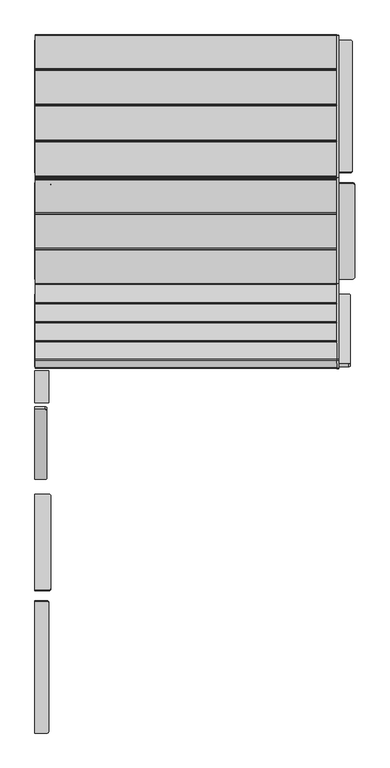
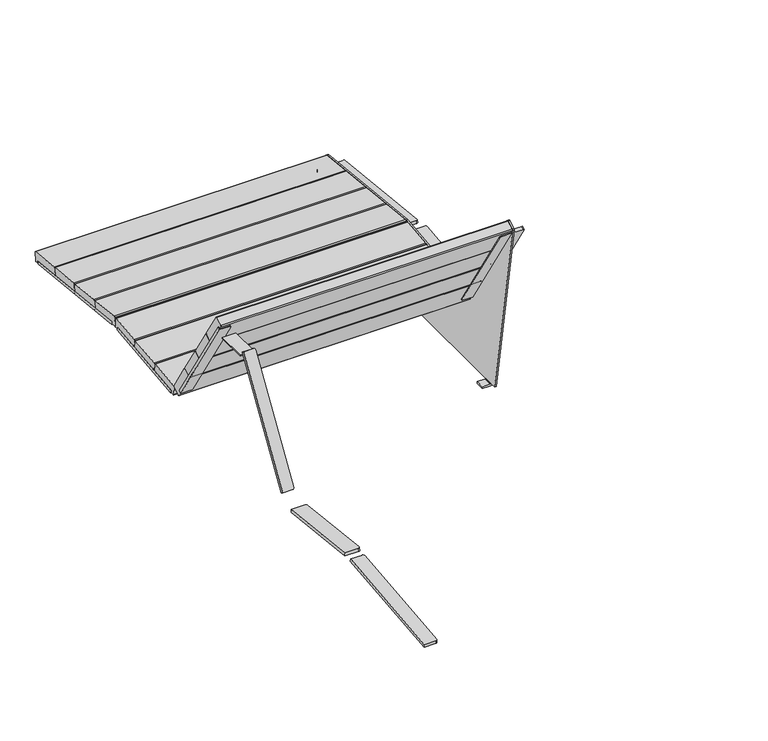
"""IFC4 building model written with IfcOpenShell, lengths in millimetres: furniture geometry."""

from ifc_helpers import new_model, si_unit, point, frame, frame_2d, origin, place, context, project, spatial, polyline, circle_curve, trimmed, segment, composite_curve, outline, extrude, source, transform, mapped, element, save
from ifc_brep_helpers import plane_surface, cylinder_surface, revolved_surface, advanced_brep


def furniture_8bb03c26(model_context):
    return source(origin(), model_context, "Body", "SolidModel", [
        extrude(outline(composite_curve([segment(polyline([(-49.3638066, 0.0), (3.2090879, 0.0)]), True, "CONTINUOUS"), segment(trimmed(circle_curve(frame_2d((3.2090879, -7.0121057)), 7.0121058), [point((3.2090879, 0.0))], [point((10.2211937, -7.0121057))], False, "CARTESIAN"), True, "CONTINUOUS"), segment(polyline([(10.2211937, -7.0121057), (10.2211937, -571.1396494)]), True, "CONTINUOUS"), segment(trimmed(circle_curve(frame_2d((2.3027848, -569.9999999)), 8.0), [point((10.2211937, -571.1396494))], [point((2.3027848, -578.0))], False, "CARTESIAN"), True, "CONTINUOUS"), segment(polyline([(2.3027848, -578.0), (-49.3638066, -578.0), (-49.3638066, 0.0)]), True, "CONTINUOUS")], self_intersect=False)), frame((-607.6361934, 2358.6295614, 278.0435414), z_axis=(0.0, 0.10531331814140793, 0.9944390906546497), x_axis=(1.0, 0.0, 0.0)), (0.0, 0.0, 1.0), 12.2952655),
        extrude(outline(composite_curve([segment(polyline([(-419.9999999, 0.0), (0.0, 0.0), (0.0, -62.0)]), True, "CONTINUOUS"), segment(trimmed(circle_curve(frame_2d((-7.9999999, -62.0)), 8.0), [point((0.0, -62.0))], [point((-7.9999999, -70.0))], False, "CARTESIAN"), True, "CONTINUOUS"), segment(polyline([(-7.9999999, -70.0), (-412.0, -70.0)]), True, "CONTINUOUS"), segment(trimmed(circle_curve(frame_2d((-412.0, -62.0)), 8.0), [point((-412.0, -70.0))], [point((-419.9999999, -62.0))], False, "CARTESIAN"), True, "CONTINUOUS"), segment(polyline([(-419.9999999, -62.0), (-419.9999999, 0.0)]), True, "CONTINUOUS")], self_intersect=False)), frame((-657.0, 1740.1376015, 337.72827), z_axis=(0.0, -0.10875935595835198, 0.9940681075718728), x_axis=(0.0, 0.9940681075718728, 0.10875935595835198)), (0.0, 0.0, 1.0), 13.4436598),
        extrude(outline(composite_curve([segment(polyline([(-44.4824594, 0.0), (-0.1685248, 0.0), (-0.1685248, -574.1423739), (-44.4403491, -574.1423739)]), True, "CONTINUOUS"), segment(trimmed(circle_curve(frame_2d((-44.4403491, -567.1716559)), 6.970718), [point((-44.4403491, -574.1423739))], [point((-51.4110671, -567.1716559))], False, "CARTESIAN"), True, "CONTINUOUS"), segment(polyline([(-51.4110671, -567.1716559), (-51.4110671, -7.9971934)]), True, "CONTINUOUS"), segment(trimmed(circle_curve(frame_2d((-44.4824594, -7.0000001)), 7.0), [point((-51.4110671, -7.9971934))], [point((-44.4824594, 0.0))], False, "CARTESIAN"), True, "CONTINUOUS")], self_intersect=False)), frame((-657.1685248, 939.9679308, 825.034546), z_axis=(0.0, 0.8485020904898253, 0.5291920279391936), x_axis=(-1.0, 0.0, 0.0)), (0.0, 0.0, 1.0), 13.5362306),
        extrude(outline(composite_curve([segment(polyline([(0.0, 0.0), (578.0, 0.0), (578.0, -51.6665914)]), True, "CONTINUOUS"), segment(trimmed(circle_curve(frame_2d((569.9999999, -51.6665914)), 8.0), [point((578.0, -51.6665914))], [point((571.1396494, -59.5850003))], False, "CARTESIAN"), True, "CONTINUOUS"), segment(polyline([(571.1396494, -59.5850003), (7.0121057, -59.5850003)]), True, "CONTINUOUS"), segment(trimmed(circle_curve(frame_2d((7.0121057, -52.5728945)), 7.0121058), [point((7.0121057, -59.5850003))], [point((0.0, -52.5728945))], False, "CARTESIAN"), True, "CONTINUOUS"), segment(polyline([(0.0, -52.5728945), (0.0, 0.0)]), True, "CONTINUOUS")], self_intersect=False)), frame((-657.0, -653.6519252, 278.0435414), z_axis=(0.0, -0.10531331814140793, 0.9944390906546497), x_axis=(0.0, 0.9944390906546497, 0.10531331814140793)), (0.0, 0.0, 1.0), 12.2952655),
        extrude(outline(composite_curve([segment(polyline([(0.0, 0.0), (62.0, 0.0)]), True, "CONTINUOUS"), segment(trimmed(circle_curve(frame_2d((62.0, -7.9999999)), 8.0), [point((62.0, 0.0))], [point((70.0, -7.9999999))], False, "CARTESIAN"), True, "CONTINUOUS"), segment(polyline([(70.0, -7.9999999), (70.0, -412.0)]), True, "CONTINUOUS"), segment(trimmed(circle_curve(frame_2d((62.0, -412.0)), 8.0), [point((70.0, -412.0))], [point((62.0, -419.9999999))], False, "CARTESIAN"), True, "CONTINUOUS"), segment(polyline([(62.0, -419.9999999), (0.0, -419.9999999), (0.0, 0.0)]), True, "CONTINUOUS")], self_intersect=False)), frame((-657.0, 382.3486398, 292.0493405), z_axis=(0.0, 0.10875935595835198, 0.9940681075718728), x_axis=(1.0, 0.0, 0.0)), (0.0, 0.0, 1.0), 13.4436598),
        extrude(outline(composite_curve([segment(trimmed(circle_curve(frame_2d((0.0, -7.0)), 7.0), [point((-7.0000001, -7.0))], [point((0.9971933, -0.0713923))], False, "CARTESIAN"), True, "CONTINUOUS"), segment(polyline([(0.9971933, -0.0713923), (560.1716558, -0.0713923)]), True, "CONTINUOUS"), segment(trimmed(circle_curve(frame_2d((560.1716558, -7.0421103)), 6.970718), [point((560.1716558, -0.0713923))], [point((567.1423738, -7.0421103))], False, "CARTESIAN"), True, "CONTINUOUS"), segment(polyline([(567.1423738, -7.0421103), (567.1423738, -51.3139346), (-7.0000001, -51.3139346), (-7.0000001, -7.0)]), True, "CONTINUOUS")], self_intersect=False)), frame((-605.6860654, 761.3053612, 819.0950313), z_axis=(0.0, -0.8485020904898253, 0.5291920279391936), x_axis=(0.0, -0.5291920279391936, -0.8485020904898253)), (0.0, 0.0, 1.0), 13.5362306),
        extrude(outline(polyline([(-657.0, 782.4888126), (-657.0, 922.4888126), (-596.3860772, 922.4888126), (-596.3860772, 782.4888126), (-657.0, 782.4888126)])), frame((0.0, 0.0, 794.8457865), z_axis=(0.0, 0.0, 1.0), x_axis=(1.0, 0.0, 0.0)), (0.0, 0.0, 1.0), 5.0000141),
        advanced_brep(
        [(657.0, 1102.2110194, 11.1667328), (657.0, 1102.2110194, 10.1913955), (654.9504798, 1102.2110194, 8.1418753), (619.6140905, 1102.2110194, 8.1418753), (619.6140905, 1102.2110194, 0.0), (655.3306071, 1102.2110194, 0.0), (664.3530995, 1102.2110194, 9.0224925), (664.3530995, 1102.2110194, 11.1667328), (664.3530995, 1141.7328925, 9.0224925), (655.3306071, 1141.7328925, 0.0), (619.6140905, 1141.7328925, 0.0), (619.6140905, 1141.7328925, 8.1418753), (654.9504798, 1141.7328925, 8.1418753), (657.0, 1141.7328925, 10.1913955), (657.0, 1141.7328925, 11.1667328), (664.3530995, 1141.7328925, 11.1667328), (664.3530995, 2268.2223799, 11.1667328), (664.3530995, 2268.2223799, 9.0224925), (664.3530995, 2307.744253, 9.0224925), (664.3530995, 2307.744253, 11.1667328), (664.3530995, 2334.1163793, 11.1667328), (664.3530995, 2338.0711348, 14.5818314), (664.3530995, 2382.9475629, 319.3675424), (664.3530995, 2379.4056059, 323.9359283), (664.3530995, 1760.9255232, 389.484152), (664.3530995, 1300.9091118, 338.6611211), (664.3530995, 971.294668, 865.7075655), (664.3530995, 965.7703383, 866.9704616), (664.3530995, 933.364756, 846.5443154), (664.3530995, 931.5538925, 842.4923379), (664.3530995, 1072.3869743, 11.1667328), (664.3530995, 2358.6295614, 278.0435414), (664.3530995, 1783.843767, 338.9146392), (664.3530995, 1785.1386223, 351.1415319), (664.3530995, 2359.9244166, 290.270434), (664.3530995, 1740.1376015, 337.72827), (664.3530995, 1322.6289964, 292.0493405), (664.3530995, 1321.1668726, 305.4132539), (664.3530995, 1738.6754778, 351.0921834), (664.3530995, 1243.7994979, 337.8735415), (664.3530995, 939.9679308, 825.034546), (664.3530995, 951.4534508, 832.1978113), (664.3530995, 1255.2850179, 345.0368069), (657.0, 1072.3869743, 11.1667328), (657.0, 931.5538925, 842.4923379), (657.0, 933.364756, 846.5443154), (657.0, 965.7703383, 866.9704616), (657.0, 971.294668, 865.7075655), (657.0, 1300.9091118, 338.6611211), (657.0, 1760.9255232, 389.484152), (657.0, 2379.4056059, 323.9359283), (657.0, 2382.9475629, 319.3675424), (657.0, 2338.0711348, 14.5818314), (657.0, 2334.1163793, 11.1667328), (657.0, 2307.744253, 11.1667328), (657.0, 2307.744253, 10.1913955), (657.0, 2268.2223799, 10.1913955), (657.0, 2268.2223799, 11.1667328), (657.0, 1783.843767, 338.9146392), (657.0, 2358.6295614, 278.0435414), (657.0, 2359.9244166, 290.270434), (657.0, 1785.1386223, 351.1415319), (657.0, 1322.6289964, 292.0493405), (657.0, 1740.1376015, 337.72827), (657.0, 1738.6754778, 351.0921834), (657.0, 1321.1668726, 305.4132539), (657.0, 939.9679308, 825.034546), (657.0, 1243.7994979, 337.8735415), (657.0, 1255.2850179, 345.0368069), (657.0, 951.4534508, 832.1978113), (655.3306071, 2307.744253, 0.0), (619.6140905, 2307.744253, 0.0), (619.6140905, 2307.744253, 8.1418753), (654.9504798, 2307.744253, 8.1418753), (654.9504798, 2268.2223799, 8.1418753), (619.6140905, 2268.2223799, 8.1418753), (619.6140905, 2268.2223799, 0.0), (655.3306071, 2268.2223799, 0.0), (605.3334086, 1783.843767, 338.9146392), (597.4149997, 1790.6659678, 338.192153), (597.4149997, 2351.6564494, 278.7820095), (604.4271055, 2358.6295614, 278.0435414), (604.4271055, 2359.9244166, 290.270434), (597.4149997, 2352.9513046, 291.0089021), (597.4149997, 1791.960823, 350.4190456), (605.3334086, 1785.1386223, 351.1415319), (595.0, 1322.6289964, 292.0493405), (587.0, 1330.5815412, 292.9194153), (587.0, 1732.1850567, 336.8581951), (595.0, 1740.1376015, 337.72827), (595.0, 1738.6754778, 351.0921834), (587.0, 1730.7229329, 350.2221086), (587.0, 1329.1194174, 306.2833288), (595.0, 1321.1668726, 305.4132539), (612.6860654, 939.9679308, 825.034546), (605.7574577, 944.1999818, 818.2489107), (605.7574577, 1240.1106495, 343.7882103), (612.7281757, 1243.7994979, 337.8735415), (612.6860654, 951.4534508, 832.1978113), (612.7281757, 1255.2850179, 345.0368069), (605.7574577, 1251.5961695, 350.9514757), (605.7574577, 955.6855017, 825.4121761), (716.925994, 2358.6295614, 278.0435414), (723.9380998, 2351.6564494, 278.7820095), (723.9380998, 1790.6659678, 338.192153), (716.0196909, 1783.843767, 338.9146392), (716.0196909, 1785.1386223, 351.1415319), (723.9380998, 1791.960823, 350.4190456), (723.9380998, 2352.9513046, 291.0089021), (716.925994, 2359.9244166, 290.270434), (726.3530995, 1740.1376015, 337.72827), (734.3530995, 1732.1850567, 336.8581951), (734.3530995, 1330.5815412, 292.9194153), (726.3530995, 1322.6289964, 292.0493405), (726.3530995, 1321.1668726, 305.4132539), (734.3530995, 1329.1194174, 306.2833288), (734.3530995, 1730.7229329, 350.2221086), (726.3530995, 1738.6754778, 351.0921834), (708.6670341, 939.9679308, 825.034546), (708.6249239, 1243.7994979, 337.8735415), (715.5956418, 1240.1106495, 343.7882103), (715.5956418, 944.1999818, 818.2489107), (708.6670341, 951.4534508, 832.1978113), (715.5956418, 955.6855017, 825.4121761), (715.5956418, 1251.5961695, 350.9514757), (708.6249239, 1255.2850179, 345.0368069)],
        [
            (0, 1),
            (1, 2, circle_curve(frame((654.9504798, 1102.2110194, 10.1913955), z_axis=(0.0, 1.0, 0.0), x_axis=(1.0, 0.0, 0.0)), 2.0495202)),
            (2, 3),
            (3, 4),
            (4, 5),
            (5, 6, circle_curve(frame((655.3306071, 1102.2110194, 9.0224925), z_axis=(0.0, -1.0, 0.0), x_axis=(1.0, 0.0, 0.0)), 9.0224925)),
            (6, 7),
            (7, 0),
            (8, 9, circle_curve(frame((655.3306071, 1141.7328925, 9.0224925), z_axis=(0.0, 1.0, 0.0), x_axis=(1.0, 0.0, 0.0)), 9.0224925)),
            (9, 10),
            (10, 11),
            (11, 12),
            (12, 13, circle_curve(frame((654.9504798, 1141.7328925, 10.1913955), z_axis=(0.0, -1.0, 0.0), x_axis=(1.0, 0.0, 0.0)), 2.0495202)),
            (13, 14),
            (14, 15),
            (15, 8),
            (0, 14),
            (13, 1),
            (12, 2),
            (11, 3),
            (10, 4),
            (9, 5),
            (8, 6),
            (15, 16),
            (16, 17),
            (17, 18),
            (18, 19),
            (19, 20),
            (20, 21, circle_curve(frame((664.3530995, 2334.1163793, 15.1641267), z_axis=(1.0, 0.0, 0.0), x_axis=(0.0, -1.0, 0.0)), 3.997394)),
            (21, 22),
            (22, 23, circle_curve(frame((664.3530995, 2378.9832975, 319.951238), z_axis=(1.0, 0.0, 0.0), x_axis=(0.0, -1.0, 0.0)), 4.0070065)),
            (23, 24),
            (24, 25),
            (25, 26),
            (26, 27, circle_curve(frame((664.3530995, 967.9032834, 863.5865962), z_axis=(1.0, 0.0, 0.0), x_axis=(0.0, -1.0, 0.0)), 4.0)),
            (27, 28),
            (28, 29, circle_curve(frame((664.3530995, 935.4977011, 843.16045), z_axis=(1.0, 0.0, 0.0), x_axis=(0.0, -1.0, 0.0)), 4.0)),
            (29, 30),
            (30, 7),
            (31, 32),
            (32, 33),
            (33, 34),
            (34, 31),
            (35, 36),
            (36, 37),
            (37, 38),
            (38, 35),
            (39, 40),
            (40, 41),
            (41, 42),
            (42, 39),
            (0, 43),
            (43, 44),
            (44, 45, circle_curve(frame((657.0, 935.4977011, 843.16045), z_axis=(-1.0, 0.0, 0.0), x_axis=(0.0, -1.0, 0.0)), 4.0)),
            (45, 46),
            (46, 47, circle_curve(frame((657.0, 967.9032834, 863.5865962), z_axis=(-1.0, 0.0, 0.0), x_axis=(0.0, -1.0, 0.0)), 4.0)),
            (47, 48),
            (48, 49),
            (49, 50),
            (50, 51, circle_curve(frame((657.0, 2378.9832975, 319.951238), z_axis=(-1.0, 0.0, 0.0), x_axis=(0.0, -1.0, 0.0)), 4.0070065)),
            (51, 52),
            (52, 53, circle_curve(frame((657.0, 2334.1163793, 15.1641267), z_axis=(-1.0, 0.0, 0.0), x_axis=(0.0, -1.0, 0.0)), 3.997394)),
            (53, 54),
            (54, 55),
            (55, 56),
            (56, 57),
            (57, 14),
            (58, 59),
            (59, 60),
            (60, 61),
            (61, 58),
            (62, 63),
            (63, 64),
            (64, 65),
            (65, 62),
            (66, 67),
            (67, 68),
            (68, 69),
            (69, 66),
            (20, 53),
            (52, 21),
            (57, 16),
            (19, 54),
            (30, 43),
            (29, 44),
            (28, 45),
            (27, 46),
            (26, 47),
            (25, 48),
            (24, 49),
            (23, 50),
            (22, 51),
            (18, 70, circle_curve(frame((655.3306071, 2307.744253, 9.0224925), z_axis=(0.0, 1.0, 0.0), x_axis=(1.0, 0.0, 0.0)), 9.0224925)),
            (70, 71),
            (71, 72),
            (72, 73),
            (73, 55, circle_curve(frame((654.9504798, 2307.744253, 10.1913955), z_axis=(0.0, -1.0, 0.0), x_axis=(1.0, 0.0, 0.0)), 2.0495202)),
            (56, 74, circle_curve(frame((654.9504798, 2268.2223799, 10.1913955), z_axis=(0.0, 1.0, 0.0), x_axis=(1.0, 0.0, 0.0)), 2.0495202)),
            (74, 75),
            (75, 76),
            (76, 77),
            (77, 17, circle_curve(frame((655.3306071, 2268.2223799, 9.0224925), z_axis=(0.0, -1.0, 0.0), x_axis=(1.0, 0.0, 0.0)), 9.0224925)),
            (73, 74),
            (72, 75),
            (71, 76),
            (70, 77),
            (58, 78),
            (78, 79, circle_curve(frame((605.3334086, 1791.7992798, 338.0721327), z_axis=(0.0, -0.10531331814140793, -0.9944390906546497), x_axis=(-1.0, 0.0, 0.0)), 8.0)),
            (79, 80),
            (80, 81, circle_curve(frame((604.4271055, 2351.6564494, 278.7820095), z_axis=(0.0, -0.10531331814140793, -0.9944390906546497), x_axis=(1.0, 0.0, 0.0)), 7.0121058)),
            (81, 59),
            (60, 82),
            (82, 83, circle_curve(frame((604.4271055, 2352.9513046, 291.0089021), z_axis=(0.0, 0.10531331814140793, 0.9944390906546497), x_axis=(1.0, 0.0, 0.0)), 7.0121058)),
            (83, 84),
            (84, 85, circle_curve(frame((605.3334086, 1793.094135, 350.2990253), z_axis=(0.0, 0.10531331814140793, 0.9944390906546497), x_axis=(-1.0, 0.0, 0.0)), 8.0)),
            (85, 61),
            (85, 78),
            (84, 79),
            (81, 82),
            (80, 83),
            (62, 86),
            (86, 87, circle_curve(frame((595.0, 1330.5815412, 292.9194153), z_axis=(0.0, 0.10875935595835198, -0.9940681075718728), x_axis=(0.0, -0.9940681075718728, -0.10875935595835198)), 8.0)),
            (87, 88),
            (88, 89, circle_curve(frame((595.0, 1732.1850567, 336.8581951), z_axis=(0.0, 0.10875935595835198, -0.9940681075718728), x_axis=(0.0, -0.9940681075718728, -0.10875935595835198)), 8.0)),
            (89, 63),
            (64, 90),
            (90, 91, circle_curve(frame((595.0, 1730.7229329, 350.2221086), z_axis=(0.0, -0.10875935595835198, 0.9940681075718728), x_axis=(0.0, -0.9940681075718728, -0.10875935595835198)), 8.0)),
            (91, 92),
            (92, 93, circle_curve(frame((595.0, 1329.1194174, 306.2833288), z_axis=(0.0, -0.10875935595835198, 0.9940681075718728), x_axis=(0.0, -0.9940681075718728, -0.10875935595835198)), 8.0)),
            (93, 65),
            (93, 86),
            (92, 87),
            (91, 88),
            (90, 89),
            (94, 95, circle_curve(frame((612.6860654, 943.672275, 819.0950313), z_axis=(0.0, -0.8485020904898253, -0.5291920279391936), x_axis=(-1.0, 0.0, 0.0)), 7.0)),
            (95, 96),
            (96, 97, circle_curve(frame((612.7281757, 1240.1106495, 343.7882103), z_axis=(0.0, -0.8485020904898253, -0.5291920279391936), x_axis=(1.0, 0.0, 0.0)), 6.970718)),
            (97, 67),
            (66, 94),
            (98, 69),
            (68, 99),
            (99, 100, circle_curve(frame((612.7281757, 1251.5961695, 350.9514757), z_axis=(0.0, 0.8485020904898253, 0.5291920279391936), x_axis=(1.0, 0.0, 0.0)), 6.970718)),
            (100, 101),
            (101, 98, circle_curve(frame((612.6860654, 955.157795, 826.2582967), z_axis=(0.0, 0.8485020904898253, 0.5291920279391936), x_axis=(-1.0, 0.0, 0.0)), 7.0)),
            (94, 98),
            (101, 95),
            (97, 99),
            (96, 100),
            (31, 102),
            (102, 103, circle_curve(frame((716.925994, 2351.6564494, 278.7820095), z_axis=(0.0, -0.10531331814140794, -0.9944390906546497), x_axis=(-1.0, 0.0, 0.0)), 7.0121058)),
            (103, 104),
            (104, 105, circle_curve(frame((716.0196909, 1791.7992798, 338.0721327), z_axis=(0.0, -0.10531331814140794, -0.9944390906546497), x_axis=(1.0, 0.0, 0.0)), 8.0)),
            (105, 32),
            (33, 106),
            (106, 107, circle_curve(frame((716.0196909, 1793.094135, 350.2990253), z_axis=(0.0, 0.10531331814140794, 0.9944390906546497), x_axis=(1.0, 0.0, 0.0)), 8.0)),
            (107, 108),
            (108, 109, circle_curve(frame((716.925994, 2352.9513046, 291.0089021), z_axis=(0.0, 0.10531331814140794, 0.9944390906546497), x_axis=(-1.0, 0.0, 0.0)), 7.0121058)),
            (109, 34),
            (105, 106),
            (104, 107),
            (109, 102),
            (108, 103),
            (35, 110),
            (110, 111, circle_curve(frame((726.3530995, 1732.1850567, 336.8581951), z_axis=(0.0, 0.10875935595835198, -0.9940681075718728), x_axis=(0.0, -0.9940681075718728, -0.10875935595835198)), 8.0)),
            (111, 112),
            (112, 113, circle_curve(frame((726.3530995, 1330.5815412, 292.9194153), z_axis=(0.0, 0.10875935595835198, -0.9940681075718728), x_axis=(0.0, -0.9940681075718728, -0.10875935595835198)), 8.0)),
            (113, 36),
            (37, 114),
            (114, 115, circle_curve(frame((726.3530995, 1329.1194174, 306.2833288), z_axis=(0.0, -0.10875935595835198, 0.9940681075718728), x_axis=(0.0, -0.9940681075718728, -0.10875935595835198)), 8.0)),
            (115, 116),
            (116, 117, circle_curve(frame((726.3530995, 1730.7229329, 350.2221086), z_axis=(0.0, -0.10875935595835198, 0.9940681075718728), x_axis=(0.0, -0.9940681075718728, -0.10875935595835198)), 8.0)),
            (117, 38),
            (113, 114),
            (112, 115),
            (111, 116),
            (110, 117),
            (118, 40),
            (39, 119),
            (119, 120, circle_curve(frame((708.6249239, 1240.1106495, 343.7882103), z_axis=(0.0, -0.8485020904898253, -0.5291920279391936), x_axis=(-1.0, 0.0, 0.0)), 6.970718)),
            (120, 121),
            (121, 118, circle_curve(frame((708.6670341, 943.672275, 819.0950313), z_axis=(0.0, -0.8485020904898253, -0.5291920279391936), x_axis=(1.0, 0.0, 0.0)), 7.0)),
            (122, 123, circle_curve(frame((708.6670341, 955.157795, 826.2582967), z_axis=(0.0, 0.8485020904898253, 0.5291920279391936), x_axis=(1.0, 0.0, 0.0)), 7.0)),
            (123, 124),
            (124, 125, circle_curve(frame((708.6249239, 1251.5961695, 350.9514757), z_axis=(0.0, 0.8485020904898253, 0.5291920279391936), x_axis=(-1.0, 0.0, 0.0)), 6.970718)),
            (125, 42),
            (41, 122),
            (121, 123),
            (122, 118),
            (125, 119),
            (124, 120),
        ],
        [
            plane_surface(frame((657.0, 1102.2110194, 11.1667328), z_axis=(0.0, -1.0, 0.0), x_axis=(0.0, 0.0, -1.0))),
            plane_surface(frame((657.0, 1141.7328925, 11.1667328), z_axis=(0.0, 1.0, 0.0), x_axis=(0.0, 0.0, 1.0))),
            plane_surface(frame((657.0, 1102.2110194, 11.1667328), z_axis=(-1.0, 0.0, 0.0), x_axis=(0.0, 1.0, 0.0))),
            revolved_surface(polyline([(657.0, 1141.7328925, 10.1913955), (657.0, 1102.2110194, 10.1913955)]), (654.9504798, 1141.7328925, 10.1913955), (0.0, 1.0, 0.0)),
            plane_surface(frame((654.9504798, 1102.2110194, 8.1418753), z_axis=(0.0, 0.0, 1.0), x_axis=(0.0, 1.0, 0.0))),
            plane_surface(frame((619.6140905, 1102.2110194, 8.1418753), z_axis=(-1.0, 0.0, 0.0), x_axis=(0.0, 1.0, 0.0))),
            plane_surface(frame((619.6140905, 1102.2110194, 0.0), z_axis=(0.0, 0.0, -1.0), x_axis=(0.0, 1.0, 0.0))),
            cylinder_surface(frame((655.3306071, 1141.7328925, 9.0224925), z_axis=(0.0, -1.0, 0.0), x_axis=(1.0, 0.0, 0.0)), 9.0224925),
            plane_surface(frame((664.3530995, 1102.2110194, 9.0224925), z_axis=(1.0, 0.0, 0.0), x_axis=(0.0, 1.0, 0.0))),
            plane_surface(frame((657.0, 1102.2110194, 15.0954559), z_axis=(-1.0, 0.0, 0.0), x_axis=(0.0, 1.0, 0.0))),
            cylinder_surface(frame((657.0, 2334.1163793, 15.1641267), z_axis=(1.0, 0.0, 0.0), x_axis=(0.0, -1.0, 0.0)), 3.997394),
            plane_surface(frame((664.3530995, 1072.3869743, 11.1667328), z_axis=(0.0, 0.0, -1.0), x_axis=(-1.0, 0.0, 0.0))),
            plane_surface(frame((664.3530995, 931.5538925, 842.4923379), z_axis=(0.0, -0.985952147265219, -0.1670280314890409), x_axis=(-1.0, 0.0, 0.0))),
            cylinder_surface(frame((657.0, 935.4977011, 843.16045), z_axis=(1.0, 0.0, 0.0), x_axis=(0.0, -1.0, 0.0)), 4.0),
            plane_surface(frame((664.3530995, 965.7703383, 866.9704616), z_axis=(0.0, -0.5332362847455439, 0.845966349585354), x_axis=(-1.0, 0.0, 0.0))),
            cylinder_surface(frame((657.0, 967.9032834, 863.5865962), z_axis=(1.0, 0.0, 0.0), x_axis=(0.0, -1.0, 0.0)), 4.0),
            plane_surface(frame((664.3530995, 1300.9091118, 338.6611211), z_axis=(0.0, 0.847846138311266, 0.5302423273850115), x_axis=(-1.0, 0.0, 0.0))),
            plane_surface(frame((664.3530995, 1760.9255232, 389.484152), z_axis=(0.0, -0.10981275199900431, 0.9939522923653857), x_axis=(-1.0, 0.0, 0.0))),
            plane_surface(frame((664.3530995, 2379.4056059, 323.9359283), z_axis=(0.0, 0.10539250642220661, 0.9944307012507434), x_axis=(-1.0, 0.0, 0.0))),
            cylinder_surface(frame((657.0, 2378.9832975, 319.951238), z_axis=(1.0, 0.0, 0.0), x_axis=(0.0, -1.0, 0.0)), 4.0070065),
            plane_surface(frame((664.3530995, 2338.0711348, 14.5818314), z_axis=(0.0, 0.9893334212997198, -0.1456687389229111), x_axis=(-1.0, 0.0, 0.0))),
            plane_surface(frame((657.0, 2307.744253, 15.0954559), z_axis=(0.0, 1.0, 0.0), x_axis=(0.0, 0.0, 1.0))),
            plane_surface(frame((657.0, 2268.2223799, 15.0954559), z_axis=(0.0, -1.0, 0.0), x_axis=(0.0, 0.0, -1.0))),
            revolved_surface(polyline([(657.0, 2268.2223799, 10.1913955), (657.0, 2307.744253, 10.1913955)]), (654.9504798, 2268.2223799, 10.1913955), (0.0, -1.0, 0.0)),
            plane_surface(frame((619.6140905, 2307.744253, 8.1418753), z_axis=(0.0, 0.0, 1.0), x_axis=(0.0, -1.0, 0.0))),
            plane_surface(frame((619.6140905, 2307.744253, 0.0), z_axis=(-1.0, 0.0, 0.0), x_axis=(0.0, -1.0, 0.0))),
            plane_surface(frame((655.3306071, 2307.744253, 0.0), z_axis=(0.0, 0.0, -1.0), x_axis=(0.0, -1.0, 0.0))),
            cylinder_surface(frame((655.3306071, 2268.2223799, 9.0224925), z_axis=(0.0, 1.0, 0.0), x_axis=(1.0, 0.0, 0.0)), 9.0224925),
            plane_surface(frame((657.0, 2358.6295614, 278.0435414), z_axis=(0.0, -0.10531331814140793, -0.9944390906546497), x_axis=(0.0, -0.9944390906546497, 0.10531331814140793))),
            plane_surface(frame((657.0, 2359.9244166, 290.270434), z_axis=(0.0, 0.10531331814140793, 0.9944390906546497), x_axis=(0.0, 0.9944390906546497, -0.10531331814140793))),
            plane_surface(frame((657.0, 1783.843767, 338.9146392), z_axis=(0.0, -0.9944390906546503, 0.10531331814140227), x_axis=(0.0, 0.10531331814140227, 0.9944390906546503))),
            cylinder_surface(frame((605.3334086, 1793.094135, 350.2990253), z_axis=(0.0, -0.10531331814140793, -0.9944390906546497), x_axis=(-1.0, 0.0, 0.0)), 8.0),
            plane_surface(frame((604.4271055, 2358.6295614, 278.0435414), z_axis=(0.0, 0.9944390906546504, -0.10531331814140199), x_axis=(0.0, 0.10531331814140199, 0.9944390906546504))),
            cylinder_surface(frame((604.4271055, 2352.9513046, 291.0089021), z_axis=(0.0, -0.10531331814140793, -0.9944390906546497), x_axis=(1.0, 0.0, 0.0)), 7.0121058),
            plane_surface(frame((597.4149997, 1790.6659678, 338.192153), z_axis=(-1.0, 0.0, 0.0), x_axis=(0.0, 0.10531331814140227, 0.9944390906546503))),
            plane_surface(frame((657.0, 1322.6289964, 292.0493405), z_axis=(0.0, 0.10875935595835198, -0.9940681075718728), x_axis=(-1.0, 0.0, 0.0))),
            plane_surface(frame((657.0, 1321.1668726, 305.4132539), z_axis=(0.0, -0.10875935595835198, 0.9940681075718728), x_axis=(1.0, 0.0, 0.0))),
            plane_surface(frame((657.0, 1322.6289964, 292.0493405), z_axis=(0.0, -0.9940681075718729, -0.10875935595835155), x_axis=(0.0, -0.10875935595835155, 0.9940681075718729))),
            cylinder_surface(frame((595.0, 1329.1194174, 306.2833288), z_axis=(0.0, 0.10875935595835198, -0.9940681075718728), x_axis=(0.0, -0.9940681075718728, -0.10875935595835198)), 8.0),
            plane_surface(frame((587.0, 1330.5815412, 292.9194153), z_axis=(-1.0, 0.0, 0.0), x_axis=(0.0, -0.10875935595835129, 0.9940681075718729))),
            cylinder_surface(frame((595.0, 1730.7229329, 350.2221086), z_axis=(0.0, 0.10875935595835198, -0.9940681075718728), x_axis=(0.0, -0.9940681075718728, -0.10875935595835198)), 8.0),
            plane_surface(frame((595.0, 1740.1376015, 337.72827), z_axis=(0.0, 0.9940681075718729, 0.10875935595835129), x_axis=(0.0, -0.10875935595835129, 0.9940681075718729))),
            plane_surface(frame((605.6860654, 943.672275, 819.0950313), z_axis=(0.0, -0.8485020904898253, -0.5291920279391936), x_axis=(0.0, 0.5291920279391936, -0.8485020904898253))),
            plane_surface(frame((605.6860654, 955.157795, 826.2582967), z_axis=(0.0, 0.8485020904898253, 0.5291920279391936), x_axis=(0.0, -0.5291920279391936, 0.8485020904898253))),
            cylinder_surface(frame((612.6860654, 955.157795, 826.2582967), z_axis=(0.0, -0.8485020904898253, -0.5291920279391936), x_axis=(-1.0, 0.0, 0.0)), 7.0),
            plane_surface(frame((612.7281757, 1243.7994979, 337.8735415), z_axis=(0.0, 0.5291920279391926, -0.848502090489826), x_axis=(0.0, 0.848502090489826, 0.5291920279391926))),
            plane_surface(frame((657.0, 939.9679308, 825.034546), z_axis=(0.0, -0.5291920279391971, 0.8485020904898233), x_axis=(0.0, 0.8485020904898233, 0.5291920279391971))),
            cylinder_surface(frame((612.7281757, 1251.5961695, 350.9514757), z_axis=(0.0, -0.8485020904898253, -0.5291920279391936), x_axis=(1.0, 0.0, 0.0)), 6.970718),
            plane_surface(frame((605.7574577, 944.1999818, 818.2489107), z_axis=(-1.0000000000000002, 0.0, 0.0), x_axis=(0.0, 0.8485020904898233, 0.5291920279391971))),
            plane_surface(frame((713.7169061, 2358.6295614, 278.0435414), z_axis=(0.0, -0.10531331814140794, -0.9944390906546499), x_axis=(1.0, 0.0, 0.0))),
            plane_surface(frame((713.7169061, 2359.9244166, 290.270434), z_axis=(0.0, 0.10531331814140794, 0.9944390906546499), x_axis=(-1.0, 0.0, 0.0))),
            plane_surface(frame((716.0196909, 1783.843767, 338.9146392), z_axis=(0.0, -0.9944390906546503, 0.10531331814140227), x_axis=(0.0, 0.10531331814140227, 0.9944390906546503))),
            cylinder_surface(frame((716.0196909, 1793.094135, 350.2990253), z_axis=(0.0, -0.10531331814140794, -0.9944390906546497), x_axis=(1.0, 0.0, 0.0)), 8.0),
            plane_surface(frame((664.3530995, 2358.6295614, 278.0435414), z_axis=(0.0, 0.9944390906546504, -0.10531331814140199), x_axis=(0.0, 0.10531331814140199, 0.9944390906546504))),
            cylinder_surface(frame((716.925994, 2352.9513046, 291.0089021), z_axis=(0.0, -0.10531331814140794, -0.9944390906546497), x_axis=(-1.0, 0.0, 0.0)), 7.0121058),
            plane_surface(frame((723.9380998, 2351.6564494, 278.7820095), z_axis=(1.0000000000000002, 0.0, 0.0), x_axis=(0.0, 0.10531331814140199, 0.9944390906546504))),
            plane_surface(frame((664.3530995, 1740.1376015, 337.72827), z_axis=(0.0, 0.10875935595835198, -0.9940681075718728), x_axis=(0.0, 0.9940681075718728, 0.10875935595835198))),
            plane_surface(frame((664.3530995, 1738.6754778, 351.0921834), z_axis=(0.0, -0.10875935595835198, 0.9940681075718728), x_axis=(0.0, -0.9940681075718728, -0.10875935595835198))),
            plane_surface(frame((726.3530995, 1322.6289964, 292.0493405), z_axis=(0.0, -0.9940681075718729, -0.10875935595835155), x_axis=(0.0, -0.10875935595835155, 0.9940681075718729))),
            cylinder_surface(frame((726.3530995, 1329.1194174, 306.2833288), z_axis=(0.0, 0.10875935595835198, -0.9940681075718728), x_axis=(0.0, -0.9940681075718728, -0.10875935595835198)), 8.0),
            plane_surface(frame((734.3530995, 1732.1850567, 336.8581951), z_axis=(1.0, 0.0, 0.0), x_axis=(0.0, -0.10875935595835129, 0.9940681075718729))),
            cylinder_surface(frame((726.3530995, 1730.7229329, 350.2221086), z_axis=(0.0, 0.10875935595835198, -0.9940681075718728), x_axis=(0.0, -0.9940681075718728, -0.10875935595835198)), 8.0),
            plane_surface(frame((664.3530995, 1740.1376015, 337.72827), z_axis=(0.0, 0.9940681075718729, 0.10875935595835129), x_axis=(0.0, -0.10875935595835129, 0.9940681075718729))),
            plane_surface(frame((664.1845747, 939.9679308, 825.034546), z_axis=(0.0, -0.8485020904898254, -0.5291920279391936), x_axis=(-1.0, 0.0, 0.0))),
            plane_surface(frame((664.1845747, 951.4534508, 832.1978113), z_axis=(0.0, 0.8485020904898254, 0.5291920279391936), x_axis=(1.0, 0.0, 0.0))),
            cylinder_surface(frame((708.6670341, 955.157795, 826.2582967), z_axis=(0.0, -0.8485020904898253, -0.5291920279391936), x_axis=(1.0, 0.0, 0.0)), 7.0),
            plane_surface(frame((664.3530995, 1243.7994979, 337.8735415), z_axis=(0.0, 0.5291920279392015, -0.8485020904898204), x_axis=(0.0, 0.8485020904898204, 0.5291920279392015))),
            plane_surface(frame((708.6670341, 939.9679308, 825.034546), z_axis=(0.0, -0.5291920279391926, 0.848502090489826), x_axis=(0.0, 0.848502090489826, 0.5291920279391926))),
            cylinder_surface(frame((708.6249239, 1251.5961695, 350.9514757), z_axis=(0.0, -0.8485020904898253, -0.5291920279391936), x_axis=(-1.0, 0.0, 0.0)), 6.970718),
            plane_surface(frame((715.5956418, 1240.1106495, 343.7882103), z_axis=(1.0, 0.0, 0.0), x_axis=(0.0, 0.8485020904898283, 0.529192027939189))),
        ],
        [
            (0, [[1, 2, 3, 4, 5, 6, 7, 8]]),
            (1, [[9, 10, 11, 12, 13, 14, 15, 16]]),
            (2, [[-1, 17, -14, 18]]),
            (3, [[-2, -18, -13, 19]]),
            (4, [[-3, -19, -12, 20]]),
            (5, [[-4, -20, -11, 21]]),
            (6, [[-5, -21, -10, 22]]),
            (7, [[-6, -22, -9, 23]]),
            (8, [[-23, -16, 24, 25, 26, 27, 28, 29, 30, 31, 32, 33, 34, 35, 36, 37, 38, 39, -7], [40, 41, 42, 43], [44, 45, 46, 47], [48, 49, 50, 51]]),
            (9, [[-17, 52, 53, 54, 55, 56, 57, 58, 59, 60, 61, 62, 63, 64, 65, 66, 67], [68, 69, 70, 71], [72, 73, 74, 75], [76, 77, 78, 79]]),
            (10, [[-29, 80, -62, 81]]),
            (11, [[-15, -67, 82, -24]]),
            (11, [[-80, -28, 83, -63]]),
            (11, [[84, -52, -8, -39]]),
            (12, [[-38, 85, -53, -84]]),
            (13, [[-37, 86, -54, -85]]),
            (14, [[-36, 87, -55, -86]]),
            (15, [[-35, 88, -56, -87]]),
            (16, [[-34, 89, -57, -88]]),
            (17, [[-33, 90, -58, -89]]),
            (18, [[-32, 91, -59, -90]]),
            (19, [[-31, 92, -60, -91]]),
            (20, [[-30, -81, -61, -92]]),
            (21, [[93, 94, 95, 96, 97, -64, -83, -27]]),
            (22, [[-66, 98, 99, 100, 101, 102, -25, -82]]),
            (23, [[-97, 103, -98, -65]]),
            (24, [[-96, 104, -99, -103]]),
            (25, [[-95, 105, -100, -104]]),
            (26, [[-94, 106, -101, -105]]),
            (27, [[-93, -26, -102, -106]]),
            (28, [[107, 108, 109, 110, 111, -68]]),
            (29, [[112, 113, 114, 115, 116, -70]]),
            (30, [[-107, -71, -116, 117]]),
            (31, [[-108, -117, -115, 118]]),
            (32, [[-111, 119, -112, -69]]),
            (33, [[-110, 120, -113, -119]]),
            (34, [[-109, -118, -114, -120]]),
            (35, [[121, 122, 123, 124, 125, -72]]),
            (36, [[126, 127, 128, 129, 130, -74]]),
            (37, [[-121, -75, -130, 131]]),
            (38, [[-122, -131, -129, 132]]),
            (39, [[-123, -132, -128, 133]]),
            (40, [[-124, -133, -127, 134]]),
            (41, [[-125, -134, -126, -73]]),
            (42, [[135, 136, 137, 138, -76, 139]]),
            (43, [[140, -78, 141, 142, 143, 144]]),
            (44, [[-135, 145, -144, 146]]),
            (45, [[-138, 147, -141, -77]]),
            (46, [[-139, -79, -140, -145]]),
            (47, [[-137, 148, -142, -147]]),
            (48, [[-136, -146, -143, -148]]),
            (49, [[149, 150, 151, 152, 153, -40]]),
            (50, [[154, 155, 156, 157, 158, -42]]),
            (51, [[-153, 159, -154, -41]]),
            (52, [[-152, 160, -155, -159]]),
            (53, [[-149, -43, -158, 161]]),
            (54, [[-150, -161, -157, 162]]),
            (55, [[-151, -162, -156, -160]]),
            (56, [[163, 164, 165, 166, 167, -44]]),
            (57, [[168, 169, 170, 171, 172, -46]]),
            (58, [[-167, 173, -168, -45]]),
            (59, [[-166, 174, -169, -173]]),
            (60, [[-165, 175, -170, -174]]),
            (61, [[-164, 176, -171, -175]]),
            (62, [[-163, -47, -172, -176]]),
            (63, [[177, -48, 178, 179, 180, 181]]),
            (64, [[182, 183, 184, 185, -50, 186]]),
            (65, [[-181, 187, -182, 188]]),
            (66, [[-178, -51, -185, 189]]),
            (67, [[-177, -188, -186, -49]]),
            (68, [[-179, -189, -184, 190]]),
            (69, [[-180, -190, -183, -187]]),
        ],
    ),
        extrude(outline(composite_curve([segment(trimmed(circle_curve(frame_2d((1013.0248327, 722.1367311)), 4.0), [point((1015.1416008, 718.7427227))], [point((1009.6308243, 720.019963))], False, "CARTESIAN"), True, "CONTINUOUS"), segment(polyline([(1009.6308243, 720.019963), (933.2959113, 842.4147268)]), True, "CONTINUOUS"), segment(trimmed(circle_curve(frame_2d((936.6899197, 844.5314949)), 4.0), [point((933.2959113, 842.4147268))], [point((934.5731515, 847.9255033))], False, "CARTESIAN"), True, "CONTINUOUS"), segment(polyline([(934.5731515, 847.9255033), (965.9677289, 867.5056083)]), True, "CONTINUOUS"), segment(trimmed(circle_curve(frame_2d((968.084497, 864.1115999)), 4.0), [point((965.9677289, 867.5056083))], [point((971.4785054, 866.2283681))], False, "CARTESIAN"), True, "CONTINUOUS"), segment(polyline([(971.4785054, 866.2283681), (1047.8134184, 743.8336042)]), True, "CONTINUOUS"), segment(trimmed(circle_curve(frame_2d((1044.41941, 741.7168361)), 4.0), [point((1047.8134184, 743.8336042))], [point((1046.5361781, 738.3228278))], False, "CARTESIAN"), True, "CONTINUOUS"), segment(polyline([(1046.5361781, 738.3228278), (1015.1416008, 718.7427227)]), True, "CONTINUOUS")], self_intersect=False)), frame((-655.9426647, 0.0, 0.0), z_axis=(1.0, 0.0, 0.0), x_axis=(0.0, 1.0, 0.0)), (0.0, 0.0, 1.0), 1312.9426647),
        extrude(outline(composite_curve([segment(trimmed(circle_curve(frame_2d((1096.0090818, 589.080477)), 4.0), [point((1098.12585, 585.6864687))], [point((1092.6150735, 586.9637089))], False, "CARTESIAN"), True, "CONTINUOUS"), segment(polyline([(1092.6150735, 586.9637089), (1013.8643605, 713.2319463)]), True, "CONTINUOUS"), segment(trimmed(circle_curve(frame_2d((1017.2583689, 715.3487144)), 4.0), [point((1013.8643605, 713.2319463))], [point((1015.1416008, 718.7427227))], False, "CARTESIAN"), True, "CONTINUOUS"), segment(polyline([(1015.1416008, 718.7427227), (1046.5361781, 738.3228278)]), True, "CONTINUOUS"), segment(trimmed(circle_curve(frame_2d((1048.6529462, 734.9288194)), 4.0), [point((1046.5361781, 738.3228278))], [point((1052.0469546, 737.0455875))], False, "CARTESIAN"), True, "CONTINUOUS"), segment(polyline([(1052.0469546, 737.0455875), (1130.7976676, 610.7773502)]), True, "CONTINUOUS"), segment(trimmed(circle_curve(frame_2d((1127.4036592, 608.6605821)), 4.0), [point((1130.7976676, 610.7773502))], [point((1129.5204273, 605.2665737))], False, "CARTESIAN"), True, "CONTINUOUS"), segment(polyline([(1129.5204273, 605.2665737), (1098.12585, 585.6864687)]), True, "CONTINUOUS")], self_intersect=False)), frame((-655.9426647, 0.0, 0.0), z_axis=(1.0, 0.0, 0.0), x_axis=(0.0, 1.0, 0.0)), (0.0, 0.0, 1.0), 1312.9426647),
        extrude(outline(composite_curve([segment(trimmed(circle_curve(frame_2d((1179.2822736, 455.5609348)), 4.0), [point((1181.3990417, 452.1669265))], [point((1175.8882653, 453.4441667))], False, "CARTESIAN"), True, "CONTINUOUS"), segment(polyline([(1175.8882653, 453.4441667), (1096.8486097, 580.1756922)]), True, "CONTINUOUS"), segment(trimmed(circle_curve(frame_2d((1100.2426181, 582.2924603)), 4.0), [point((1096.8486097, 580.1756922))], [point((1098.12585, 585.6864687))], False, "CARTESIAN"), True, "CONTINUOUS"), segment(polyline([(1098.12585, 585.6864687), (1129.5204273, 605.2665737)]), True, "CONTINUOUS"), segment(trimmed(circle_curve(frame_2d((1131.6371954, 601.8725654)), 4.0), [point((1129.5204273, 605.2665737))], [point((1135.0312038, 603.9893335))], False, "CARTESIAN"), True, "CONTINUOUS"), segment(polyline([(1135.0312038, 603.9893335), (1214.0708593, 477.257808)]), True, "CONTINUOUS"), segment(trimmed(circle_curve(frame_2d((1210.676851, 475.1410399)), 4.0), [point((1214.0708593, 477.257808))], [point((1212.7936191, 471.7470315))], False, "CARTESIAN"), True, "CONTINUOUS"), segment(polyline([(1212.7936191, 471.7470315), (1181.3990417, 452.1669265)]), True, "CONTINUOUS")], self_intersect=False)), frame((-655.9426647, 0.0, 0.0), z_axis=(1.0, 0.0, 0.0), x_axis=(0.0, 1.0, 0.0)), (0.0, 0.0, 1.0), 1312.9426647),
        extrude(outline(composite_curve([segment(trimmed(circle_curve(frame_2d((1264.1317941, 319.5139204)), 4.0), [point((1266.2485622, 316.119912))], [point((1260.7377857, 317.3971523))], False, "CARTESIAN"), True, "CONTINUOUS"), segment(polyline([(1260.7377857, 317.3971523), (1180.1218015, 446.65615)]), True, "CONTINUOUS"), segment(trimmed(circle_curve(frame_2d((1183.5158099, 448.7729181)), 4.0), [point((1180.1218015, 446.65615))], [point((1181.3990417, 452.1669265))], False, "CARTESIAN"), True, "CONTINUOUS"), segment(polyline([(1181.3990417, 452.1669265), (1212.7936191, 471.7470315)]), True, "CONTINUOUS"), segment(trimmed(circle_curve(frame_2d((1214.9103872, 468.3530232)), 4.0), [point((1212.7936191, 471.7470315))], [point((1218.3043956, 470.4697913))], False, "CARTESIAN"), True, "CONTINUOUS"), segment(polyline([(1218.3043956, 470.4697913), (1298.9203798, 341.2107935)]), True, "CONTINUOUS"), segment(trimmed(circle_curve(frame_2d((1295.5263714, 339.0940254)), 4.0), [point((1298.9203798, 341.2107935))], [point((1297.6431395, 335.7000171))], False, "CARTESIAN"), True, "CONTINUOUS"), segment(polyline([(1297.6431395, 335.7000171), (1266.2485622, 316.119912)]), True, "CONTINUOUS")], self_intersect=False)), frame((-655.9426647, 0.0, 0.0), z_axis=(1.0, 0.0, 0.0), x_axis=(0.0, 1.0, 0.0)), (0.0, 0.0, 1.0), 1312.9426647),
        extrude(outline(composite_curve([segment(trimmed(circle_curve(frame_2d((2231.9607075, 297.7885242)), 4.0), [point((2231.5394543, 293.8107679))], [point((2227.9829512, 298.2097775))], False, "CARTESIAN"), True, "CONTINUOUS"), segment(polyline([(2227.9829512, 298.2097775), (2231.8795439, 335.0040238)]), True, "CONTINUOUS"), segment(trimmed(circle_curve(frame_2d((2235.8573003, 334.5827706)), 4.0), [point((2231.8795439, 335.0040238))], [point((2236.2785536, 338.5605269))], False, "CARTESIAN"), True, "CONTINUOUS"), segment(polyline([(2236.2785536, 338.5605269), (2379.9058755, 323.3500731)]), True, "CONTINUOUS"), segment(trimmed(circle_curve(frame_2d((2379.4846222, 319.3723168)), 4.0), [point((2379.9058755, 323.3500731))], [point((2383.4623786, 318.9510635))], False, "CARTESIAN"), True, "CONTINUOUS"), segment(polyline([(2383.4623786, 318.9510635), (2379.5657858, 282.1568171)]), True, "CONTINUOUS"), segment(trimmed(circle_curve(frame_2d((2375.5880295, 282.5780704)), 4.0), [point((2379.5657858, 282.1568171))], [point((2375.1667762, 278.6003141))], False, "CARTESIAN"), True, "CONTINUOUS"), segment(polyline([(2375.1667762, 278.6003141), (2231.5394543, 293.8107679)]), True, "CONTINUOUS")], self_intersect=False)), frame((-655.9426647, 0.0, 0.0), z_axis=(1.0, 0.0, 0.0), x_axis=(0.0, 1.0, 0.0)), (0.0, 0.0, 1.0), 1312.9426647),
        extrude(outline(composite_curve([segment(trimmed(circle_curve(frame_2d((2076.8742332, 314.2125278)), 4.0), [point((2076.4529799, 310.2347715))], [point((2072.8964768, 314.6337811))], False, "CARTESIAN"), True, "CONTINUOUS"), segment(polyline([(2072.8964768, 314.6337811), (2076.7930696, 351.4280275)]), True, "CONTINUOUS"), segment(trimmed(circle_curve(frame_2d((2080.770826, 351.0067742)), 4.0), [point((2076.7930696, 351.4280275))], [point((2081.1920793, 354.9845305))], False, "CARTESIAN"), True, "CONTINUOUS"), segment(polyline([(2081.1920793, 354.9845305), (2228.3230409, 339.4030335)]), True, "CONTINUOUS"), segment(trimmed(circle_curve(frame_2d((2227.9017876, 335.4252771)), 4.0), [point((2228.3230409, 339.4030335))], [point((2231.8795439, 335.0040238))], False, "CARTESIAN"), True, "CONTINUOUS"), segment(polyline([(2231.8795439, 335.0040238), (2227.9829512, 298.2097775)]), True, "CONTINUOUS"), segment(trimmed(circle_curve(frame_2d((2224.0051948, 298.6310308)), 4.0), [point((2227.9829512, 298.2097775))], [point((2223.5839415, 294.6532744))], False, "CARTESIAN"), True, "CONTINUOUS"), segment(polyline([(2223.5839415, 294.6532744), (2076.4529799, 310.2347715)]), True, "CONTINUOUS")], self_intersect=False)), frame((-655.9426647, 0.0, 0.0), z_axis=(1.0, 0.0, 0.0), x_axis=(0.0, 1.0, 0.0)), (0.0, 0.0, 1.0), 1312.9426647),
        extrude(outline(composite_curve([segment(trimmed(circle_curve(frame_2d((1920.2732529, 330.796921)), 4.0), [point((1919.8519996, 326.8191646))], [point((1916.2954965, 331.2181743))], False, "CARTESIAN"), True, "CONTINUOUS"), segment(polyline([(1916.2954965, 331.2181743), (1920.1920893, 368.0124206)]), True, "CONTINUOUS"), segment(trimmed(circle_curve(frame_2d((1924.1698456, 367.5911674)), 4.0), [point((1920.1920893, 368.0124206))], [point((1924.5910989, 371.5689237))], False, "CARTESIAN"), True, "CONTINUOUS"), segment(polyline([(1924.5910989, 371.5689237), (2073.2365665, 355.8270371)]), True, "CONTINUOUS"), segment(trimmed(circle_curve(frame_2d((2072.8153133, 351.8492807)), 4.0), [point((2073.2365665, 355.8270371))], [point((2076.7930696, 351.4280275))], False, "CARTESIAN"), True, "CONTINUOUS"), segment(polyline([(2076.7930696, 351.4280275), (2072.8964768, 314.6337811)]), True, "CONTINUOUS"), segment(trimmed(circle_curve(frame_2d((2068.9187205, 315.0550344)), 4.0), [point((2072.8964768, 314.6337811))], [point((2068.4974672, 311.077278))], False, "CARTESIAN"), True, "CONTINUOUS"), segment(polyline([(2068.4974672, 311.077278), (1919.8519996, 326.8191646)]), True, "CONTINUOUS")], self_intersect=False)), frame((-655.9426647, 0.0, 0.0), z_axis=(1.0, 0.0, 0.0), x_axis=(0.0, 1.0, 0.0)), (0.0, 0.0, 1.0), 1312.9426647),
        extrude(outline(composite_curve([segment(trimmed(circle_curve(frame_2d((1763.3318136, 347.4173695)), 4.0), [point((1762.9105604, 343.4396132))], [point((1759.3540573, 347.8386228))], False, "CARTESIAN"), True, "CONTINUOUS"), segment(polyline([(1759.3540573, 347.8386228), (1763.25065, 384.6328692)]), True, "CONTINUOUS"), segment(trimmed(circle_curve(frame_2d((1767.2284064, 384.2116159)), 4.0), [point((1763.25065, 384.6328692))], [point((1767.6496597, 388.1893722))], False, "CARTESIAN"), True, "CONTINUOUS"), segment(polyline([(1767.6496597, 388.1893722), (1916.6355862, 372.4114303)]), True, "CONTINUOUS"), segment(trimmed(circle_curve(frame_2d((1916.2143329, 368.4336739)), 4.0), [point((1916.6355862, 372.4114303))], [point((1920.1920893, 368.0124206))], False, "CARTESIAN"), True, "CONTINUOUS"), segment(polyline([(1920.1920893, 368.0124206), (1916.2954965, 331.2181743)]), True, "CONTINUOUS"), segment(trimmed(circle_curve(frame_2d((1912.3177401, 331.6394275)), 4.0), [point((1916.2954965, 331.2181743))], [point((1911.8964869, 327.6616712))], False, "CARTESIAN"), True, "CONTINUOUS"), segment(polyline([(1911.8964869, 327.6616712), (1762.9105604, 343.4396132)]), True, "CONTINUOUS")], self_intersect=False)), frame((-655.9426647, 0.0, 0.0), z_axis=(1.0, 0.0, 0.0), x_axis=(0.0, 1.0, 0.0)), (0.0, 0.0, 1.0), 1312.9426647),
        extrude(outline(composite_curve([segment(trimmed(circle_curve(frame_2d((1612.9931724, 331.3056855)), 4.0), [point((1613.4282098, 327.329413))], [point((1609.0169, 330.8706481))], False, "CARTESIAN"), True, "CONTINUOUS"), segment(polyline([(1609.0169, 330.8706481), (1604.9928038, 367.651168)]), True, "CONTINUOUS"), segment(trimmed(circle_curve(frame_2d((1608.9690762, 368.0862055)), 4.0), [point((1604.9928038, 367.651168))], [point((1608.5340388, 372.0624779))], False, "CARTESIAN"), True, "CONTINUOUS"), segment(polyline([(1608.5340388, 372.0624779), (1750.77399, 387.6247169)]), True, "CONTINUOUS"), segment(trimmed(circle_curve(frame_2d((1751.2090274, 383.6484445)), 4.0), [point((1750.77399, 387.6247169))], [point((1755.1852999, 384.0834819))], False, "CARTESIAN"), True, "CONTINUOUS"), segment(polyline([(1755.1852999, 384.0834819), (1759.209396, 347.3029619)]), True, "CONTINUOUS"), segment(trimmed(circle_curve(frame_2d((1755.2331236, 346.8679245)), 4.0), [point((1759.209396, 347.3029619))], [point((1755.668161, 342.8916521))], False, "CARTESIAN"), True, "CONTINUOUS"), segment(polyline([(1755.668161, 342.8916521), (1613.4282098, 327.329413)]), True, "CONTINUOUS")], self_intersect=False)), frame((-655.9426647, 0.0, 0.0), z_axis=(1.0, 0.0, 0.0), x_axis=(0.0, 1.0, 0.0)), (0.0, 0.0, 1.0), 1312.9426647),
        extrude(outline(composite_curve([segment(trimmed(circle_curve(frame_2d((1458.4630128, 314.398795)), 4.0), [point((1458.8980502, 310.4225226))], [point((1454.4867404, 313.9637576))], False, "CARTESIAN"), True, "CONTINUOUS"), segment(polyline([(1454.4867404, 313.9637576), (1450.4626442, 350.7442775)]), True, "CONTINUOUS"), segment(trimmed(circle_curve(frame_2d((1454.4389166, 351.179315)), 4.0), [point((1450.4626442, 350.7442775))], [point((1454.0038792, 355.1555874))], False, "CARTESIAN"), True, "CONTINUOUS"), segment(polyline([(1454.0038792, 355.1555874), (1600.5814939, 371.192403)]), True, "CONTINUOUS"), segment(trimmed(circle_curve(frame_2d((1601.0165314, 367.2161306)), 4.0), [point((1600.5814939, 371.192403))], [point((1604.9928038, 367.651168))], False, "CARTESIAN"), True, "CONTINUOUS"), segment(polyline([(1604.9928038, 367.651168), (1609.0169, 330.8706481)]), True, "CONTINUOUS"), segment(trimmed(circle_curve(frame_2d((1605.0406275, 330.4356106)), 4.0), [point((1609.0169, 330.8706481))], [point((1605.475665, 326.4593382))], False, "CARTESIAN"), True, "CONTINUOUS"), segment(polyline([(1605.475665, 326.4593382), (1458.8980502, 310.4225226)]), True, "CONTINUOUS")], self_intersect=False)), frame((-655.9426647, 0.0, 0.0), z_axis=(1.0, 0.0, 0.0), x_axis=(0.0, 1.0, 0.0)), (0.0, 0.0, 1.0), 1312.9426647),
        extrude(outline(composite_curve([segment(trimmed(circle_curve(frame_2d((1305.914339, 297.7086956)), 4.0), [point((1306.3493764, 293.7324232))], [point((1301.9380666, 297.2736582))], False, "CARTESIAN"), True, "CONTINUOUS"), segment(polyline([(1301.9380666, 297.2736582), (1297.9139704, 334.0541782)]), True, "CONTINUOUS"), segment(trimmed(circle_curve(frame_2d((1301.8902428, 334.4892156)), 4.0), [point((1297.9139704, 334.0541782))], [point((1301.4552054, 338.465488))], False, "CARTESIAN"), True, "CONTINUOUS"), segment(polyline([(1301.4552054, 338.465488), (1446.0513343, 354.2855126)]), True, "CONTINUOUS"), segment(trimmed(circle_curve(frame_2d((1446.4863718, 350.3092401)), 4.0), [point((1446.0513343, 354.2855126))], [point((1450.4626442, 350.7442775))], False, "CARTESIAN"), True, "CONTINUOUS"), segment(polyline([(1450.4626442, 350.7442775), (1454.4867404, 313.9637576)]), True, "CONTINUOUS"), segment(trimmed(circle_curve(frame_2d((1450.5104679, 313.5287201)), 4.0), [point((1454.4867404, 313.9637576))], [point((1450.9455054, 309.5524477))], False, "CARTESIAN"), True, "CONTINUOUS"), segment(polyline([(1450.9455054, 309.5524477), (1306.3493764, 293.7324232)]), True, "CONTINUOUS")], self_intersect=False)), frame((-655.9426647, 0.0, 0.0), z_axis=(1.0, 0.0, 0.0), x_axis=(0.0, 1.0, 0.0)), (0.0, 0.0, 1.0), 1312.9426647),
    ])


if __name__ == "__main__":
    model = new_model("IFC4")
    model_context = context("Model", 3, world=origin())
    ifc_project = project(units=[si_unit("LENGTHUNIT", "METRE", prefix="MILLI")], contexts=[model_context])
    site = spatial("IfcSite", under=ifc_project)
    building = spatial("IfcBuilding", under=site)
    placement = place(None, origin())
    furniture_shape = furniture_8bb03c26(model_context)
    element("IfcFurniture", 1, at=placement, inside=building, context=model_context, shape_type="MappedRepresentation", body=[
        mapped(furniture_shape, transform((0.0, 0.0, 0.0), x_axis=(1.0, 0.0, 0.0), y_axis=(0.0, 1.0, 0.0), z_axis=(0.0, 0.0, 1.0))),
    ])
    save(model, "model.ifc")
